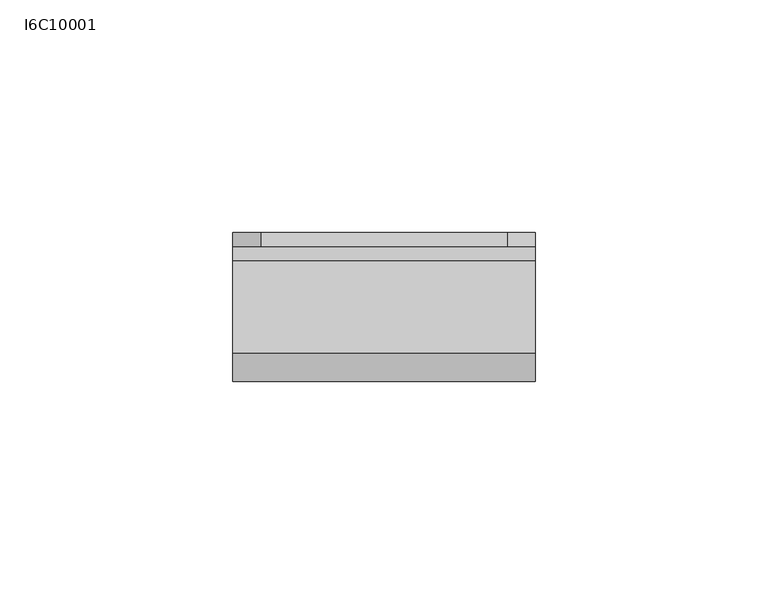
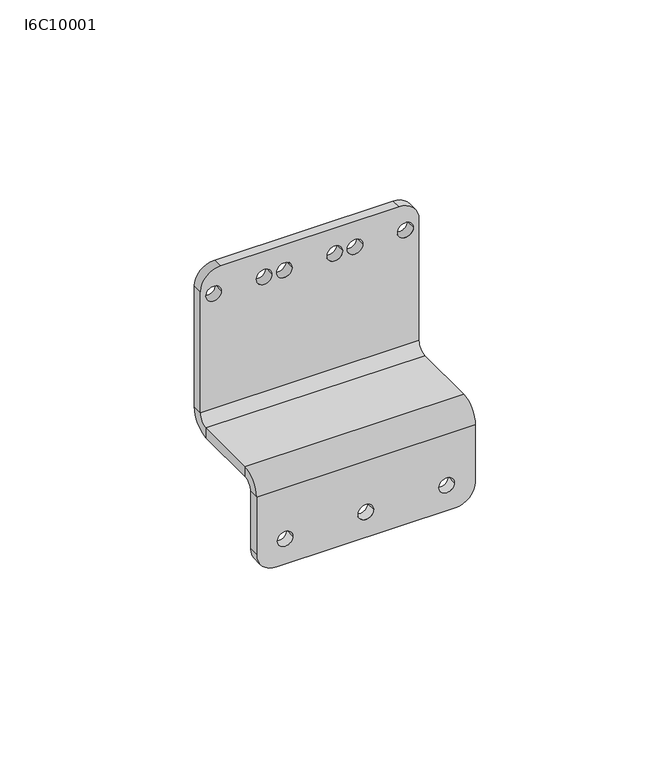
"""IFC4 building model written with IfcOpenShell, lengths in millimetres: proxy geometry, I6C10001."""

from ifc_helpers import new_model, si_unit, frame, origin, place, context, project, spatial, polyline, circle_curve, source, transform, mapped, element, save
from ifc_brep_helpers import plane_surface, cylinder_surface, revolved_surface, advanced_brep


def i6c10001_ffd2f48a(model_context):
    return source(origin(), model_context, "Body", "AdvancedBrep", [
        advanced_brep(
        [(58.8, 3.0, 8.0), (58.8, 0.0, 8.0), (54.2, 0.0, 8.0), (54.2, 3.0, 8.0), (34.8, 3.0, 8.0), (34.8, 0.0, 8.0), (30.2, 0.0, 8.0), (30.2, 3.0, 8.0), (10.8, 3.0, 8.0), (10.8, 0.0, 8.0), (6.2, 0.0, 8.0), (6.2, 3.0, 8.0), (6.3, 29.0, 69.0), (6.3, 32.0, 69.0), (1.7, 32.0, 69.0), (1.7, 29.0, 69.0), (27.3, 29.0, 69.0), (27.3, 32.0, 69.0), (22.7, 32.0, 69.0), (22.7, 29.0, 69.0), (48.3, 29.0, 69.0), (48.3, 32.0, 69.0), (43.7, 32.0, 69.0), (43.7, 29.0, 69.0), (63.3, 29.0, 69.0), (63.3, 32.0, 69.0), (58.7, 32.0, 69.0), (58.7, 29.0, 69.0), (42.3, 29.0, 69.0), (42.3, 32.0, 69.0), (37.7, 32.0, 69.0), (37.7, 29.0, 69.0), (21.3, 29.0, 69.0), (21.3, 32.0, 69.0), (16.7, 32.0, 69.0), (16.7, 29.0, 69.0), (6.0, 32.0, 77.0), (0.0, 32.0, 71.0), (0.0, 29.0, 71.0), (6.0, 29.0, 77.0), (59.0, 29.0, 77.0), (59.0, 32.0, 77.0), (0.0, 29.0, 33.0), (65.0, 29.0, 33.0), (65.0, 29.0, 71.0), (65.0, 32.0, 71.0), (65.0, 32.0, 33.0), (0.0, 3.0, 6.0), (6.0, 3.0, 0.0), (6.0, 0.0, 0.0), (0.0, 0.0, 6.0), (0.0, 0.0, 24.0), (0.0, 3.0, 24.0), (59.0, 0.0, 0.0), (65.0, 0.0, 6.0), (65.0, 0.0, 24.0), (59.0, 3.0, 0.0), (65.0, 3.0, 6.0), (65.0, 3.0, 24.0), (0.0, 32.0, 33.0), (65.0, 26.0, 27.0), (0.0, 26.0, 27.0), (65.0, 26.0, 30.0), (0.0, 26.0, 30.0), (0.0, 6.0, 27.0), (0.0, 6.0, 30.0), (65.0, 6.0, 27.0), (65.0, 6.0, 30.0)],
        [
            (0, 1),
            (1, 2, circle_curve(frame((56.5, 0.0, 8.0), z_axis=(0.0, -1.0, 0.0), x_axis=(1.0, 0.0, 0.0)), 2.3)),
            (2, 3),
            (3, 0, circle_curve(frame((56.5, 3.0, 8.0), z_axis=(0.0, 1.0, 0.0), x_axis=(1.0, 0.0, 0.0)), 2.3)),
            (4, 5),
            (5, 6, circle_curve(frame((32.5, 0.0, 8.0), z_axis=(0.0, -1.0, 0.0), x_axis=(1.0, 0.0, 0.0)), 2.3)),
            (6, 7),
            (7, 4, circle_curve(frame((32.5, 3.0, 8.0), z_axis=(0.0, 1.0, 0.0), x_axis=(1.0, 0.0, 0.0)), 2.3)),
            (8, 9),
            (9, 10, circle_curve(frame((8.5, 0.0, 8.0), z_axis=(0.0, -1.0, 0.0), x_axis=(1.0, 0.0, 0.0)), 2.3)),
            (10, 11),
            (11, 8, circle_curve(frame((8.5, 3.0, 8.0), z_axis=(0.0, 1.0, 0.0), x_axis=(1.0, 0.0, 0.0)), 2.3)),
            (12, 13),
            (13, 14, circle_curve(frame((4.0, 32.0, 69.0), z_axis=(0.0, 1.0, 0.0), x_axis=(1.0, 0.0, 0.0)), 2.3)),
            (14, 15),
            (15, 12, circle_curve(frame((4.0, 29.0, 69.0), z_axis=(0.0, -1.0, 0.0), x_axis=(1.0, 0.0, 0.0)), 2.3)),
            (16, 17),
            (17, 18, circle_curve(frame((25.0, 32.0, 69.0), z_axis=(0.0, 1.0, 0.0), x_axis=(1.0, 0.0, 0.0)), 2.3)),
            (18, 19),
            (19, 16, circle_curve(frame((25.0, 29.0, 69.0), z_axis=(0.0, -1.0, 0.0), x_axis=(1.0, 0.0, 0.0)), 2.3)),
            (20, 21),
            (21, 22, circle_curve(frame((46.0, 32.0, 69.0), z_axis=(0.0, 1.0, 0.0), x_axis=(1.0, 0.0, 0.0)), 2.3)),
            (22, 23),
            (23, 20, circle_curve(frame((46.0, 29.0, 69.0), z_axis=(0.0, -1.0, 0.0), x_axis=(1.0, 0.0, 0.0)), 2.3)),
            (24, 25),
            (25, 26, circle_curve(frame((61.0, 32.0, 69.0), z_axis=(0.0, 1.0, 0.0), x_axis=(1.0, 0.0, 0.0)), 2.3)),
            (26, 27),
            (27, 24, circle_curve(frame((61.0, 29.0, 69.0), z_axis=(0.0, -1.0, 0.0), x_axis=(1.0, 0.0, 0.0)), 2.3)),
            (28, 29),
            (29, 30, circle_curve(frame((40.0, 32.0, 69.0), z_axis=(0.0, 1.0, 0.0), x_axis=(1.0, 0.0, 0.0)), 2.3)),
            (30, 31),
            (31, 28, circle_curve(frame((40.0, 29.0, 69.0), z_axis=(0.0, -1.0, 0.0), x_axis=(1.0, 0.0, 0.0)), 2.3)),
            (32, 33),
            (33, 34, circle_curve(frame((19.0, 32.0, 69.0), z_axis=(0.0, 1.0, 0.0), x_axis=(1.0, 0.0, 0.0)), 2.3)),
            (34, 35),
            (35, 32, circle_curve(frame((19.0, 29.0, 69.0), z_axis=(0.0, -1.0, 0.0), x_axis=(1.0, 0.0, 0.0)), 2.3)),
            (32, 35, circle_curve(frame((19.0, 29.0, 69.0), z_axis=(0.0, -1.0, 0.0), x_axis=(1.0, 0.0, 0.0)), 2.3)),
            (34, 33, circle_curve(frame((19.0, 32.0, 69.0), z_axis=(0.0, 1.0, 0.0), x_axis=(1.0, 0.0, 0.0)), 2.3)),
            (28, 31, circle_curve(frame((40.0, 29.0, 69.0), z_axis=(0.0, -1.0, 0.0), x_axis=(1.0, 0.0, 0.0)), 2.3)),
            (30, 29, circle_curve(frame((40.0, 32.0, 69.0), z_axis=(0.0, 1.0, 0.0), x_axis=(1.0, 0.0, 0.0)), 2.3)),
            (24, 27, circle_curve(frame((61.0, 29.0, 69.0), z_axis=(0.0, -1.0, 0.0), x_axis=(1.0, 0.0, 0.0)), 2.3)),
            (26, 25, circle_curve(frame((61.0, 32.0, 69.0), z_axis=(0.0, 1.0, 0.0), x_axis=(1.0, 0.0, 0.0)), 2.3)),
            (20, 23, circle_curve(frame((46.0, 29.0, 69.0), z_axis=(0.0, -1.0, 0.0), x_axis=(1.0, 0.0, 0.0)), 2.3)),
            (22, 21, circle_curve(frame((46.0, 32.0, 69.0), z_axis=(0.0, 1.0, 0.0), x_axis=(1.0, 0.0, 0.0)), 2.3)),
            (16, 19, circle_curve(frame((25.0, 29.0, 69.0), z_axis=(0.0, -1.0, 0.0), x_axis=(1.0, 0.0, 0.0)), 2.3)),
            (18, 17, circle_curve(frame((25.0, 32.0, 69.0), z_axis=(0.0, 1.0, 0.0), x_axis=(1.0, 0.0, 0.0)), 2.3)),
            (12, 15, circle_curve(frame((4.0, 29.0, 69.0), z_axis=(0.0, -1.0, 0.0), x_axis=(1.0, 0.0, 0.0)), 2.3)),
            (14, 13, circle_curve(frame((4.0, 32.0, 69.0), z_axis=(0.0, 1.0, 0.0), x_axis=(1.0, 0.0, 0.0)), 2.3)),
            (8, 11, circle_curve(frame((8.5, 3.0, 8.0), z_axis=(0.0, 1.0, 0.0), x_axis=(1.0, 0.0, 0.0)), 2.3)),
            (10, 9, circle_curve(frame((8.5, 0.0, 8.0), z_axis=(0.0, -1.0, 0.0), x_axis=(1.0, 0.0, 0.0)), 2.3)),
            (4, 7, circle_curve(frame((32.5, 3.0, 8.0), z_axis=(0.0, 1.0, 0.0), x_axis=(1.0, 0.0, 0.0)), 2.3)),
            (6, 5, circle_curve(frame((32.5, 0.0, 8.0), z_axis=(0.0, -1.0, 0.0), x_axis=(1.0, 0.0, 0.0)), 2.3)),
            (0, 3, circle_curve(frame((56.5, 3.0, 8.0), z_axis=(0.0, 1.0, 0.0), x_axis=(1.0, 0.0, 0.0)), 2.3)),
            (2, 1, circle_curve(frame((56.5, 0.0, 8.0), z_axis=(0.0, -1.0, 0.0), x_axis=(1.0, 0.0, 0.0)), 2.3)),
            (36, 37, circle_curve(frame((6.0, 32.0, 71.0), z_axis=(0.0, -1.0, 0.0), x_axis=(-0.7071067811865479, 0.0, 0.7071067811865471)), 6.0)),
            (37, 38),
            (38, 39, circle_curve(frame((6.0, 29.0, 71.0), z_axis=(0.0, 1.0, 0.0), x_axis=(-0.7071067811865479, 0.0, 0.7071067811865471)), 6.0)),
            (39, 36),
            (39, 40),
            (40, 41),
            (41, 36),
            (38, 42),
            (42, 43),
            (43, 44),
            (44, 40, circle_curve(frame((59.0, 29.0, 71.0), z_axis=(0.0, -1.0, 0.0), x_axis=(0.7071067811865475, 0.0, 0.7071067811865475)), 6.0)),
            (45, 41, circle_curve(frame((59.0, 32.0, 71.0), z_axis=(0.0, -1.0, 0.0), x_axis=(0.7071067811865475, 0.0, 0.7071067811865475)), 6.0)),
            (44, 45),
            (43, 46),
            (46, 45),
            (47, 48, circle_curve(frame((6.0, 3.0, 6.0), z_axis=(0.0, -1.0, 0.0), x_axis=(-0.7071067811865477, 0.0, -0.7071067811865472)), 6.0)),
            (48, 49),
            (49, 50, circle_curve(frame((6.0, 0.0, 6.0), z_axis=(0.0, 1.0, 0.0), x_axis=(-0.7071067811865477, 0.0, -0.7071067811865472)), 6.0)),
            (50, 47),
            (50, 51),
            (51, 52),
            (52, 47),
            (49, 53),
            (53, 54, circle_curve(frame((59.0, 0.0, 6.0), z_axis=(0.0, -1.0, 0.0), x_axis=(0.7071067811865472, 0.0, -0.7071067811865479)), 6.0)),
            (54, 55),
            (55, 51),
            (56, 57, circle_curve(frame((59.0, 3.0, 6.0), z_axis=(0.0, -1.0, 0.0), x_axis=(0.7071067811865472, 0.0, -0.7071067811865479)), 6.0)),
            (57, 54),
            (53, 56),
            (57, 58),
            (58, 55),
            (59, 46),
            (46, 60, circle_curve(frame((65.0, 26.0, 33.0), z_axis=(-1.0, 0.0, 0.0), x_axis=(0.0, 1.0, 0.0)), 6.0)),
            (60, 61),
            (61, 59, circle_curve(frame((0.0, 26.0, 33.0), z_axis=(1.0, 0.0, 0.0), x_axis=(0.0, 1.0, 0.0)), 6.0)),
            (37, 59),
            (59, 42),
            (43, 62, circle_curve(frame((65.0, 26.0, 33.0), z_axis=(-1.0, 0.0, 0.0), x_axis=(0.0, 1.0, 0.0)), 3.0)),
            (62, 60),
            (61, 63),
            (63, 42, circle_curve(frame((0.0, 26.0, 33.0), z_axis=(1.0, 0.0, 0.0), x_axis=(0.0, 1.0, 0.0)), 3.0)),
            (63, 62),
            (61, 64),
            (64, 65),
            (65, 63),
            (60, 66),
            (66, 64),
            (67, 65),
            (65, 51, circle_curve(frame((0.0, 6.0, 24.0), z_axis=(1.0, 0.0, 0.0), x_axis=(0.0, 0.0, 1.0)), 6.0)),
            (55, 67, circle_curve(frame((65.0, 6.0, 24.0), z_axis=(-1.0, 0.0, 0.0), x_axis=(0.0, 0.0, 1.0)), 6.0)),
            (62, 67),
            (67, 66),
            (64, 52, circle_curve(frame((0.0, 6.0, 24.0), z_axis=(1.0, 0.0, 0.0), x_axis=(0.0, 0.0, 1.0)), 3.0)),
            (58, 66, circle_curve(frame((65.0, 6.0, 24.0), z_axis=(-1.0, 0.0, 0.0), x_axis=(0.0, 0.0, 1.0)), 3.0)),
            (58, 52),
            (48, 56),
        ],
        [
            revolved_surface(polyline([(58.8, 0.0, 8.0), (58.8, 3.0, 8.0)]), (56.5, 1.5, 8.0), (0.0, -1.0, 0.0)),
            revolved_surface(polyline([(34.8, 0.0, 8.0), (34.8, 3.0, 8.0)]), (32.5, 1.5, 8.0), (0.0, -1.0, 0.0)),
            revolved_surface(polyline([(10.8, 0.0, 8.0), (10.8, 3.0, 8.0)]), (8.5, 1.5, 8.0), (0.0, -1.0, 0.0)),
            revolved_surface(polyline([(6.3, 32.0, 69.0), (6.3, 29.0, 69.0)]), (4.0, 30.5, 69.0), (0.0, 1.0, 0.0)),
            revolved_surface(polyline([(27.3, 32.0, 69.0), (27.3, 29.0, 69.0)]), (25.0, 30.5, 69.0), (0.0, 1.0, 0.0)),
            revolved_surface(polyline([(48.3, 32.0, 69.0), (48.3, 29.0, 69.0)]), (46.0, 30.5, 69.0), (0.0, 1.0, 0.0)),
            revolved_surface(polyline([(63.3, 32.0, 69.0), (63.3, 29.0, 69.0)]), (61.0, 30.5, 69.0), (0.0, 1.0, 0.0)),
            revolved_surface(polyline([(42.3, 32.0, 69.0), (42.3, 29.0, 69.0)]), (40.0, 30.5, 69.0), (0.0, 1.0, 0.0)),
            revolved_surface(polyline([(21.3, 32.0, 69.0), (21.3, 29.0, 69.0)]), (19.0, 30.5, 69.0), (0.0, 1.0, 0.0)),
            cylinder_surface(frame((6.0, 29.0, 71.0), z_axis=(0.0, 1.0, 0.0), x_axis=(-0.7071067811865479, 0.0, 0.7071067811865471)), 6.0),
            plane_surface(frame((65.0, 29.0, 77.0), z_axis=(0.0, 0.0, 1.0), x_axis=(0.0, -1.0, 0.0))),
            plane_surface(frame((32.5, 29.0, 51.6070799), z_axis=(0.0, -1.0, 0.0), x_axis=(1.0, 0.0, 0.0))),
            cylinder_surface(frame((59.0, 29.0, 71.0), z_axis=(0.0, 0.9999999999999998, 0.0), x_axis=(0.7071067811865475, 0.0, 0.7071067811865475)), 6.0),
            plane_surface(frame((65.0, 29.0, 33.0), z_axis=(1.0, 0.0, 0.0), x_axis=(0.0, 1.0, 0.0))),
            cylinder_surface(frame((6.0, 0.0, 6.0), z_axis=(0.0, 0.9999999999999998, 0.0), x_axis=(-0.7071067811865477, 0.0, -0.7071067811865472)), 6.0),
            plane_surface(frame((0.0, 0.0, 30.0), z_axis=(-1.0, 0.0, 0.0), x_axis=(0.0, 0.0, 1.0))),
            plane_surface(frame((32.5, 0.0, 15.0), z_axis=(0.0, -1.0, 0.0), x_axis=(0.0, 0.0, 1.0))),
            cylinder_surface(frame((59.0, 0.0, 6.0), z_axis=(0.0, 1.0000000000000002, 0.0), x_axis=(0.7071067811865472, 0.0, -0.7071067811865479)), 6.0),
            plane_surface(frame((65.0, 0.0, 0.0), z_axis=(1.0, 0.0, 0.0), x_axis=(0.0, 0.0, -1.0))),
            cylinder_surface(frame((65.0, 26.0, 33.0), z_axis=(1.0, 0.0, 0.0), x_axis=(0.0, 1.0, 0.0)), 6.0),
            plane_surface(frame((0.0, 29.0, 33.0), z_axis=(-1.0, 0.0, 0.0), x_axis=(0.0, -1.0, 0.0))),
            plane_surface(frame((65.0, 29.0, 33.0), z_axis=(1.0, 0.0, 0.0), x_axis=(0.0, 0.0, -1.0))),
            plane_surface(frame((0.0, 32.0, 33.0), z_axis=(-1.0, 0.0, 0.0), x_axis=(0.0, 0.0, 1.0))),
            plane_surface(frame((32.5, 32.0, 51.6070799), z_axis=(0.0, 1.0, 0.0), x_axis=(1.0, 0.0, 0.0))),
            revolved_surface(polyline([(65.0, 29.0, 33.0), (0.0, 29.0, 33.0)]), (0.0, 26.0, 33.0), (1.0, 0.0, 0.0)),
            plane_surface(frame((0.0, 6.0, 27.0), z_axis=(-1.0, 0.0, 0.0), x_axis=(0.0, 1.0, 0.0))),
            plane_surface(frame((32.5, 15.6070799, 27.0), z_axis=(0.0, 0.0, -1.0), x_axis=(0.0, 1.0, 0.0))),
            cylinder_surface(frame((0.0, 6.0, 24.0), z_axis=(-1.0, 0.0, 0.0), x_axis=(0.0, 0.0, 1.0)), 6.0),
            plane_surface(frame((65.0, 6.0, 27.0), z_axis=(1.0, 0.0, 0.0), x_axis=(0.0, -1.0, 0.0))),
            plane_surface(frame((0.0, 6.0, 27.0), z_axis=(-1.0, 0.0, 0.0), x_axis=(0.0, 0.0, 1.0))),
            plane_surface(frame((65.0, 6.0, 30.0), z_axis=(1.0, 0.0, 0.0), x_axis=(0.0, 0.0, -1.0))),
            plane_surface(frame((32.5, 15.6070799, 30.0), z_axis=(0.0, 0.0, 1.0), x_axis=(0.0, 1.0, 0.0))),
            revolved_surface(polyline([(0.0, 6.0, 27.0), (65.0, 6.0, 27.0)]), (65.0, 6.0, 24.0), (-1.0, 0.0, 0.0)),
            plane_surface(frame((0.0, 0.0, 0.0), z_axis=(0.0, 0.0, -1.0), x_axis=(-1.0, 0.0, 0.0))),
            plane_surface(frame((32.5, 3.0, 15.0), z_axis=(0.0, 1.0, 0.0), x_axis=(0.0, 0.0, 1.0))),
        ],
        [
            (0, [[1, 2, 3, 4]]),
            (1, [[5, 6, 7, 8]]),
            (2, [[9, 10, 11, 12]]),
            (3, [[13, 14, 15, 16]]),
            (4, [[17, 18, 19, 20]]),
            (5, [[21, 22, 23, 24]]),
            (6, [[25, 26, 27, 28]]),
            (7, [[29, 30, 31, 32]]),
            (8, [[33, 34, 35, 36]]),
            (8, [[-33, 37, -35, 38]]),
            (7, [[-29, 39, -31, 40]]),
            (6, [[-25, 41, -27, 42]]),
            (5, [[-21, 43, -23, 44]]),
            (4, [[-17, 45, -19, 46]]),
            (3, [[-13, 47, -15, 48]]),
            (2, [[-9, 49, -11, 50]]),
            (1, [[-5, 51, -7, 52]]),
            (0, [[-1, 53, -3, 54]]),
            (9, [[55, 56, 57, 58]]),
            (10, [[-58, 59, 60, 61]]),
            (11, [[-57, 62, 63, 64, 65, -59], [-16, -47], [-20, -45], [-24, -43], [-28, -41], [-32, -39], [-36, -37]]),
            (12, [[66, -60, -65, 67]]),
            (13, [[-67, -64, 68, 69]]),
            (14, [[70, 71, 72, 73]]),
            (15, [[-73, 74, 75, 76]]),
            (16, [[-72, 77, 78, 79, 80, -74], [-50, -10], [-52, -6], [-54, -2]]),
            (17, [[81, 82, -78, 83]]),
            (18, [[-82, 84, 85, -79]]),
            (19, [[86, 87, 88, 89]]),
            (20, [[-56, 90, 91, -62]]),
            (21, [[-68, 92, 93, -87]]),
            (22, [[-91, -89, 94, 95]]),
            (23, [[-55, -61, -66, -69, -86, -90], [-38, -34], [-40, -30], [-42, -26], [-44, -22], [-46, -18], [-48, -14]]),
            (24, [[-63, -95, 96, -92]]),
            (25, [[-94, 97, 98, 99]]),
            (26, [[-88, 100, 101, -97]]),
            (27, [[102, 103, -80, 104]]),
            (28, [[-93, 105, 106, -100]]),
            (29, [[-98, 107, -75, -103]]),
            (30, [[-106, -104, -85, 108]]),
            (31, [[-96, -99, -102, -105]]),
            (32, [[-101, -108, 109, -107]]),
            (33, [[-71, 110, -83, -77]]),
            (34, [[-70, -76, -109, -84, -81, -110], [-4, -53], [-8, -51], [-12, -49]]),
        ],
    ),
    ])


if __name__ == "__main__":
    model = new_model("IFC4")
    model_context = context("Model", 3, world=origin())
    ifc_project = project(units=[si_unit("LENGTHUNIT", "METRE", prefix="MILLI")], contexts=[model_context])
    site = spatial("IfcSite", under=ifc_project)
    building = spatial("IfcBuilding", under=site)
    placement = place(None, origin())
    i6c10001_shape = i6c10001_ffd2f48a(model_context)
    element("IfcBuildingElementProxy", 1, Name="I6C10001", ObjectType="I6C10001", at=placement, inside=building, context=model_context, shape_type="MappedRepresentation", body=[
        mapped(i6c10001_shape, transform((0.0, 0.0, 0.0), x_axis=(1.0, 0.0, 0.0), y_axis=(0.0, 1.0, 0.0), z_axis=(0.0, 0.0, 1.0))),
    ])
    save(model, "model.ifc")
